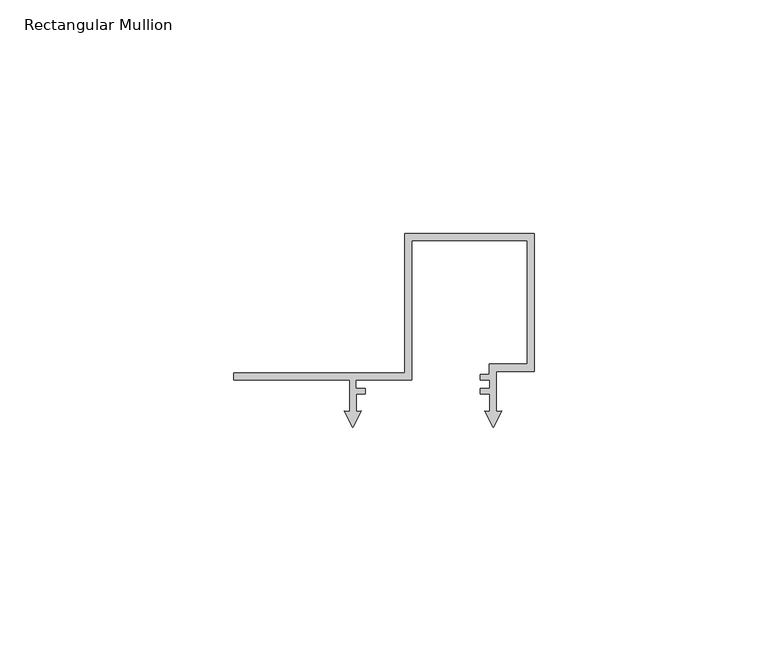
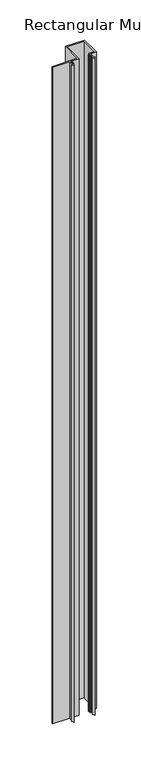
"""IFC4 building model written with IfcOpenShell, lengths in millimetres: member geometry, Rectangular Mullion."""

from ifc_helpers import new_model, si_unit, frame, origin, place, context, project, spatial, polyline, outline, extrude, source, transform, mapped, element, save


def rectangular_mullion_330a1f2c(model_context):
    return source(origin(), model_context, "Body", "SweptSolid", [
        extrude(outline(polyline([(-27.7, 66.1), (0.0, 66.1), (0.0, 36.5995654), (-8.1408193, 36.5995654), (-8.1408193, 28.0038205), (-7.0250829, 28.1014348), (-8.8408194, 24.5378474), (-10.656556, 28.1014348), (-9.5408196, 28.0038206), (-9.5408196, 31.698351), (-11.5283827, 31.698351), (-11.5283827, 32.9004386), (-9.5500002, 32.9004386), (-9.5500002, 34.6999954), (-11.5288975, 34.6999954), (-11.5288975, 35.9015214), (-9.6502876, 35.9015214), (-9.6502876, 38.0997951), (-1.5, 38.0997951), (-1.5, 64.5999997), (-26.2, 64.5999997), (-26.2, 34.6999997), (-38.249999, 34.6999997), (-38.249999, 32.9008281), (-36.1577359, 32.9008281), (-36.1577359, 31.6999997), (-38.15, 31.6999997), (-38.15, 28.0038204), (-37.0342622, 28.1014348), (-38.8499989, 24.5378474), (-40.6657356, 28.1014348), (-39.5500002, 28.0038207), (-39.5500002, 34.7056679), (-64.3500002, 34.7056679), (-64.3500002, 36.2004291), (-27.7, 36.2004291), (-27.7, 66.1)])), frame((0.0, 0.0, -1000.0), z_axis=(0.0, 0.0, 1.0), x_axis=(1.0, 0.0, 0.0)), (0.0, 0.0, 1.0), 1000.0),
    ])


if __name__ == "__main__":
    model = new_model("IFC4")
    model_context = context("Model", 3, world=origin())
    ifc_project = project(units=[si_unit("LENGTHUNIT", "METRE", prefix="MILLI")], contexts=[model_context])
    site = spatial("IfcSite", under=ifc_project)
    building = spatial("IfcBuilding", under=site)
    placement = place(None, origin())
    rectangular_mullion_shape = rectangular_mullion_330a1f2c(model_context)
    element("IfcMember", 1, ObjectType="Rectangular Mullion", at=placement, inside=building, context=model_context, shape_type="MappedRepresentation", body=[
        mapped(rectangular_mullion_shape, transform((0.0, 0.0, 0.0), x_axis=(1.0, 0.0, 0.0), y_axis=(0.0, 1.0, 0.0), z_axis=(0.0, 0.0, 1.0))),
    ])
    save(model, "model.ifc")
